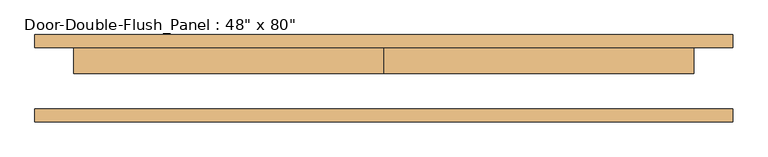
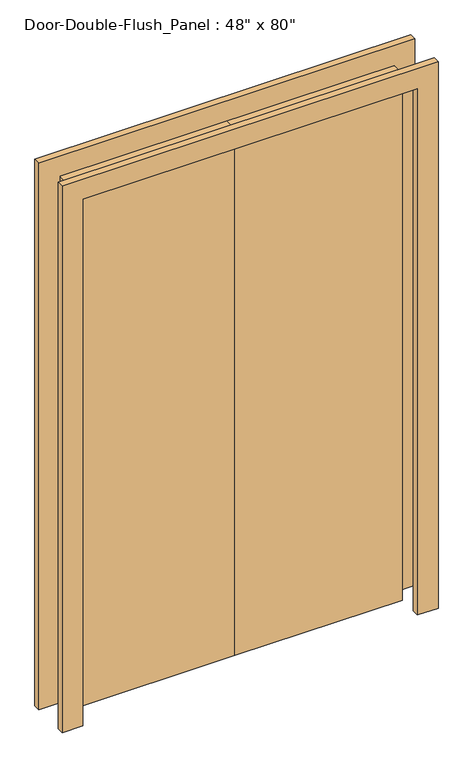
"""IFC4 building model written with IfcOpenShell, lengths in millimetres: door geometry."""

from ifc_helpers import new_model, si_unit, frame, origin, origin_with_axes, place, context, project, spatial, polyline, outline, extrude, source, transform, mapped, element, save


def door_878b0b0b(model_context):
    return source(origin(), model_context, "Body", "SweptSolid", [
        extrude(outline(polyline([(2032.0, -609.6), (2032.0, 609.6), (0.0, 609.6), (0.0, 685.8), (2108.2, 685.8), (2108.2, -685.8), (0.0, -685.8), (0.0, -609.6), (2032.0, -609.6)])), frame((0.0, -85.725, 0.0), z_axis=(0.0, 1.0, 0.0), x_axis=(0.0, 0.0, 1.0)), (0.0, 0.0, 1.0), 25.4),
        extrude(outline(polyline([(2032.0, -609.6), (2032.0, 609.6), (0.0, 609.6), (0.0, 685.8), (2108.2, 685.8), (2108.2, -685.8), (0.0, -685.8), (0.0, -609.6), (2032.0, -609.6)])), frame((0.0, 60.325, 0.0), z_axis=(0.0, 1.0, 0.0), x_axis=(0.0, 0.0, 1.0)), (0.0, 0.0, 1.0), 25.4),
        extrude(outline(polyline([(0.0, 60.325), (609.6, 60.325), (609.6, 9.525), (0.0, 9.525), (0.0, 60.325)])), origin_with_axes(), (0.0, 0.0, 1.0), 2032.0),
        extrude(outline(polyline([(-609.6, 60.325), (0.0, 60.325), (0.0, 9.525), (-609.6, 9.525), (-609.6, 60.325)])), origin_with_axes(), (0.0, 0.0, 1.0), 2032.0),
    ])


if __name__ == "__main__":
    model = new_model("IFC4")
    model_context = context("Model", 3, world=origin())
    ifc_project = project(units=[si_unit("LENGTHUNIT", "METRE", prefix="MILLI")], contexts=[model_context])
    site = spatial("IfcSite", under=ifc_project)
    building = spatial("IfcBuilding", under=site)
    placement = place(None, origin())
    door_shape = door_878b0b0b(model_context)
    element("IfcDoor", 1, ObjectType="Door-Double-Flush_Panel : 48\" x 80\"", at=placement, inside=building, context=model_context, shape_type="MappedRepresentation", body=[
        mapped(door_shape, transform((0.0, 0.0, 0.0), x_axis=(1.0, 0.0, 0.0), y_axis=(0.0, 1.0, 0.0), z_axis=(0.0, 0.0, 1.0))),
    ])
    save(model, "model.ifc")
